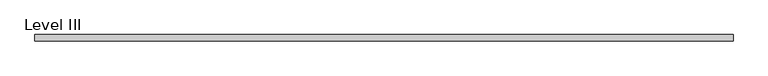
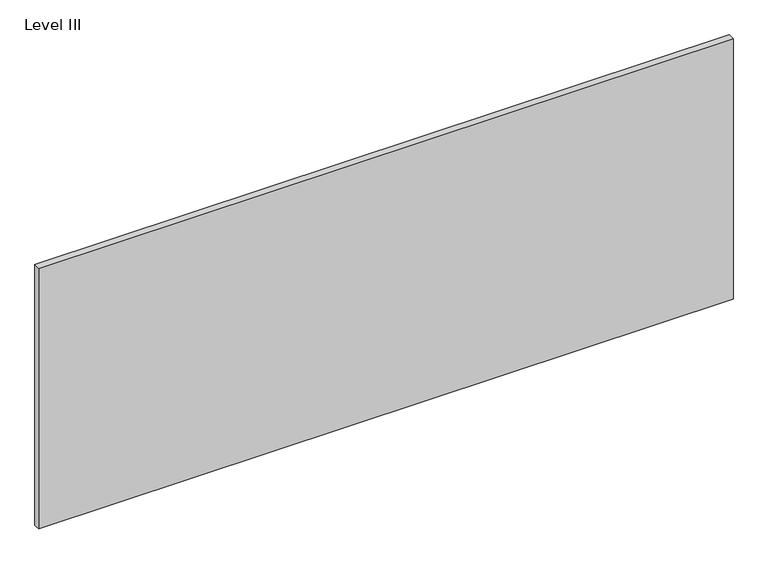
"""IFC4 building model written with IfcOpenShell, lengths in millimetres: proxy geometry, Level III."""

import ifcopenshell
import ifcopenshell.guid

model = None  # the IFC model being written
_history = None  # IfcOwnerHistory: only IFC2X3 demands one
_inside = {}  # id of a spatial element -> (the spatial element, [elements in it])
_under = {}  # id of a project, library or spatial element -> (it, [spatial elements below it])
_declared = {}  # id of a project -> (the project, [libraries it declares])
_typed = {}  # id of a type object -> (the type object, [elements of that type])
_made_of = {}  # id of a material, layer set ... -> (it, [elements and type objects made of it])


def new_model(schema):
    """Start an empty IFC model of exactly this schema.

    Asked for "IFC4X3", IfcOpenShell would pick the latest addendum, in which some entities
    have other attributes; the version numbers below select the first issue.
    IFC2X3 requires an IfcOwnerHistory on every rooted entity: one is made here for all.
    """
    global model, _history
    if schema == "IFC4X3":
        model = ifcopenshell.file(schema_version=(4, 3, 0, 0))
    else:
        model = ifcopenshell.file(schema=schema)
    _inside.clear()
    _under.clear()
    _declared.clear()
    _typed.clear()
    _made_of.clear()
    _history = None
    if model.schema == "IFC2X3":
        org = make("IfcOrganization", Name="unknown")
        user = make(
            "IfcPersonAndOrganization",
            ThePerson=make("IfcPerson", FamilyName="unknown"),
            TheOrganization=org,
        )
        app = make(
            "IfcApplication",
            ApplicationDeveloper=org,
            Version="unknown",
            ApplicationFullName="unknown",
            ApplicationIdentifier="unknown",
        )
        _history = make(
            "IfcOwnerHistory",
            OwningUser=user,
            OwningApplication=app,
            ChangeAction="ADDED",
            CreationDate=0,
        )
    return model


def make(cls, **values):
    """One entity of the class cls with the attributes given. An attribute that is None is left unset."""
    return model.create_entity(
        cls, **{name: value for name, value in values.items() if value is not None}
    )


def rooted(cls, **values):
    """An entity with a GlobalId (a new one), such as an element, a storey or a relation."""
    return make(cls, GlobalId=ifcopenshell.guid.new(), OwnerHistory=_history, **values)


def si_unit(unit_type, name, prefix=None):
    """IfcSIUnit, for example si_unit("LENGTHUNIT", "METRE", prefix="MILLI")."""
    return make("IfcSIUnit", UnitType=unit_type, Prefix=prefix, Name=name)


def assignment(units):
    """IfcUnitAssignment: the units of a project."""
    return None if units is None else make("IfcUnitAssignment", Units=units)


def point(xyz):
    """IfcCartesianPoint."""
    return None if xyz is None else make("IfcCartesianPoint", Coordinates=xyz)


def direction(xyz):
    """IfcDirection."""
    return None if xyz is None else make("IfcDirection", DirectionRatios=xyz)


def frame(location, z_axis=None, x_axis=None):
    """IfcAxis2Placement3D, a coordinate frame: its origin and axes. An axis left out is left unset."""
    return make(
        "IfcAxis2Placement3D",
        Location=point(location),
        Axis=direction(z_axis),
        RefDirection=direction(x_axis),
    )


def origin():
    """The frame at (0, 0, 0) with its axes left unset."""
    return frame((0.0, 0.0, 0.0))


def place(relative_to, where):
    """IfcLocalPlacement: puts the frame where relative to a parent placement (None: the world)."""
    return make(
        "IfcLocalPlacement", PlacementRelTo=relative_to, RelativePlacement=where
    )


def context(
    kind, dimensions, precision=None, world=None, true_north=None, identifier=None
):
    """IfcGeometricRepresentationContext, for example the 3D "Model" context."""
    return make(
        "IfcGeometricRepresentationContext",
        ContextIdentifier=identifier,
        ContextType=kind,
        CoordinateSpaceDimension=dimensions,
        Precision=precision,
        WorldCoordinateSystem=world,
        TrueNorth=true_north,
    )


def project(units=None, contexts=None):
    """IfcProject with its units and contexts."""
    return rooted(
        "IfcProject",
        Name="project",
        RepresentationContexts=contexts,
        UnitsInContext=assignment(units),
    )


def spatial(cls, under=None, at=None, **own):
    """A site, building, storey or space (cls), placed at a placement, below another one or the project."""
    s = rooted(cls, ObjectPlacement=at, **own)
    if under is not None:
        _under.setdefault(under.id(), (under, []))[1].append(s)
    return s


def polyline(points):
    """IfcPolyline through the points."""
    return make("IfcPolyline", Points=[point(p) for p in points])


def outline(outer, holes=None, kind="AREA"):
    """IfcArbitraryClosedProfileDef: a profile drawn as a closed curve; with holes, ...WithVoids."""
    if holes is None:
        return make("IfcArbitraryClosedProfileDef", ProfileType=kind, OuterCurve=outer)
    return make(
        "IfcArbitraryProfileDefWithVoids",
        ProfileType=kind,
        OuterCurve=outer,
        InnerCurves=holes,
    )


def extrude(swept, where, along, depth):
    """IfcExtrudedAreaSolid: the profile swept, set in the frame where, extruded along a direction by depth."""
    return make(
        "IfcExtrudedAreaSolid",
        SweptArea=swept,
        Position=where,
        ExtrudedDirection=direction(along),
        Depth=depth,
    )


def shape(context_of_items, identifier, shape_type, items):
    """IfcShapeRepresentation: the items that make up one representation, for example the "Body"."""
    return make(
        "IfcShapeRepresentation",
        ContextOfItems=context_of_items,
        RepresentationIdentifier=identifier,
        RepresentationType=shape_type,
        Items=items,
    )


def source(mapping_origin, context_of_items, identifier, shape_type, items):
    """IfcRepresentationMap: a shape defined once, which mapped items show again and again."""
    return make(
        "IfcRepresentationMap",
        MappingOrigin=mapping_origin,
        MappedRepresentation=shape(context_of_items, identifier, shape_type, items),
    )


def transform(
    local_origin,
    x_axis=None,
    y_axis=None,
    z_axis=None,
    scale=None,
    scale2=None,
    scale3=None,
    uniform=True,
):
    """IfcCartesianTransformationOperator3D, or its non-uniform kind. x_axis, y_axis, z_axis: its Axis1, 2, 3."""
    if uniform:
        return make(
            "IfcCartesianTransformationOperator3D",
            Axis1=direction(x_axis),
            Axis2=direction(y_axis),
            LocalOrigin=point(local_origin),
            Scale=scale,
            Axis3=direction(z_axis),
        )
    return make(
        "IfcCartesianTransformationOperator3DnonUniform",
        Axis1=direction(x_axis),
        Axis2=direction(y_axis),
        LocalOrigin=point(local_origin),
        Scale=scale,
        Axis3=direction(z_axis),
        Scale2=scale2,
        Scale3=scale3,
    )


def mapped(mapping_source, mapping_target):
    """IfcMappedItem: shows the shape of a source again, moved by a transform."""
    return make(
        "IfcMappedItem", MappingSource=mapping_source, MappingTarget=mapping_target
    )


def made_of(thing, what):
    """Note that an element or type object is made of a material, layer set ...; save() writes the relation."""
    if what is not None:
        _made_of.setdefault(what.id(), (what, []))[1].append(thing)
    return thing


def element(
    cls,
    number,
    at=None,
    inside=None,
    cuts=None,
    type_object=None,
    material=None,
    context=None,
    identifier="Body",
    shape_type=None,
    held_by="IfcProductDefinitionShape",
    body=None,
    shapes=None,
    **own,
):
    """One element of the class cls, such as IfcWall. Its Tag is "e" and its number.

    at: its placement. inside: the storey or other place that contains it. cuts: it is an
    opening in that element (IfcRelVoidsElement). A single representation is given by context,
    identifier, shape_type and body (its items); several are given by shapes. held_by: the class
    of the entity that holds the representations. save() writes the other relations.
    """
    e = rooted(cls, Tag="e%d" % number, ObjectPlacement=at, **own)
    if body is not None:
        shapes = [shape(context, identifier, shape_type, body)]
    if shapes is not None:
        e.Representation = make(held_by, Representations=shapes)
    if inside is not None:
        _inside.setdefault(inside.id(), (inside, []))[1].append(e)
    if cuts is not None:
        rooted(
            "IfcRelVoidsElement", RelatingBuildingElement=cuts, RelatedOpeningElement=e
        )
    if type_object is not None:
        _typed.setdefault(type_object.id(), (type_object, []))[1].append(e)
    return made_of(e, material)


def aggregate(whole, parts):
    """IfcRelAggregates: a whole, such as a stair, and the parts it consists of."""
    return rooted("IfcRelAggregates", RelatingObject=whole, RelatedObjects=parts)


def save(model, path):
    """Write the relations noted so far, then the file.

    IfcRelAggregates (storeys below a building ...), IfcRelContainedInSpatialStructure (elements
    in a storey), IfcRelDefinesByType, IfcRelAssociatesMaterial and IfcRelDeclares: one each for
    every whole, place, type object, material and project.
    """
    for whole, parts in _under.values():
        aggregate(whole, parts)
    for where, things in _inside.values():
        rooted(
            "IfcRelContainedInSpatialStructure",
            RelatedElements=things,
            RelatingStructure=where,
        )
    for kind, things in _typed.values():
        rooted("IfcRelDefinesByType", RelatedObjects=things, RelatingType=kind)
    for what, things in _made_of.values():
        rooted("IfcRelAssociatesMaterial", RelatedObjects=things, RelatingMaterial=what)
    for by, libraries in _declared.values():
        rooted("IfcRelDeclares", RelatingContext=by, RelatedDefinitions=libraries)
    model.write(path)


def level_iii_45eca7cc(model_context):
    return source(origin(), model_context, "Body", "SweptSolid", [
        extrude(outline(polyline([(1012.8305563, -9.525), (-1012.8305562, -9.525), (-1012.8305562, 9.525), (1012.8305563, 9.525), (1012.8305563, -9.525)])), frame((0.0, 0.0, 3.175), z_axis=(0.0, 0.0, 1.0), x_axis=(1.0, 0.0, 0.0)), (0.0, 0.0, 1.0), 804.418),
    ])


if __name__ == "__main__":
    model = new_model("IFC4")
    model_context = context("Model", 3, world=origin())
    ifc_project = project(units=[si_unit("LENGTHUNIT", "METRE", prefix="MILLI")], contexts=[model_context])
    site = spatial("IfcSite", under=ifc_project)
    building = spatial("IfcBuilding", under=site)
    placement = place(None, origin())
    level_iii_shape = level_iii_45eca7cc(model_context)
    element("IfcBuildingElementProxy", 1, Name="Level III", ObjectType="Level III", at=placement, inside=building, context=model_context, shape_type="MappedRepresentation", body=[
        mapped(level_iii_shape, transform((0.0, 0.0, 0.0), x_axis=(1.0, 0.0, 0.0), y_axis=(0.0, 1.0, 0.0), z_axis=(0.0, 0.0, 1.0))),
    ])
    save(model, "model.ifc")
